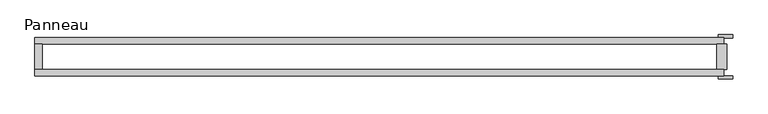
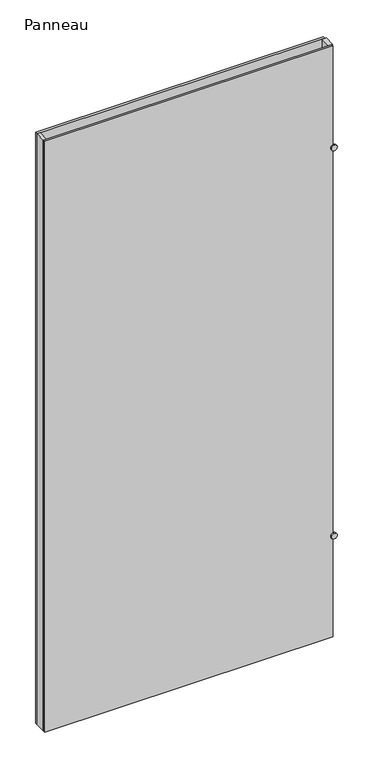
"""IFC4 building model written with IfcOpenShell, lengths in millimetres: plate geometry, Panneau."""

import ifcopenshell
import ifcopenshell.guid

model = None  # the IFC model being written
_history = None  # IfcOwnerHistory: only IFC2X3 demands one
_inside = {}  # id of a spatial element -> (the spatial element, [elements in it])
_under = {}  # id of a project, library or spatial element -> (it, [spatial elements below it])
_declared = {}  # id of a project -> (the project, [libraries it declares])
_typed = {}  # id of a type object -> (the type object, [elements of that type])
_made_of = {}  # id of a material, layer set ... -> (it, [elements and type objects made of it])


def new_model(schema):
    """Start an empty IFC model of exactly this schema.

    Asked for "IFC4X3", IfcOpenShell would pick the latest addendum, in which some entities
    have other attributes; the version numbers below select the first issue.
    IFC2X3 requires an IfcOwnerHistory on every rooted entity: one is made here for all.
    """
    global model, _history
    if schema == "IFC4X3":
        model = ifcopenshell.file(schema_version=(4, 3, 0, 0))
    else:
        model = ifcopenshell.file(schema=schema)
    _inside.clear()
    _under.clear()
    _declared.clear()
    _typed.clear()
    _made_of.clear()
    _history = None
    if model.schema == "IFC2X3":
        org = make("IfcOrganization", Name="unknown")
        user = make(
            "IfcPersonAndOrganization",
            ThePerson=make("IfcPerson", FamilyName="unknown"),
            TheOrganization=org,
        )
        app = make(
            "IfcApplication",
            ApplicationDeveloper=org,
            Version="unknown",
            ApplicationFullName="unknown",
            ApplicationIdentifier="unknown",
        )
        _history = make(
            "IfcOwnerHistory",
            OwningUser=user,
            OwningApplication=app,
            ChangeAction="ADDED",
            CreationDate=0,
        )
    return model


def make(cls, **values):
    """One entity of the class cls with the attributes given. An attribute that is None is left unset."""
    return model.create_entity(
        cls, **{name: value for name, value in values.items() if value is not None}
    )


def rooted(cls, **values):
    """An entity with a GlobalId (a new one), such as an element, a storey or a relation."""
    return make(cls, GlobalId=ifcopenshell.guid.new(), OwnerHistory=_history, **values)


def si_unit(unit_type, name, prefix=None):
    """IfcSIUnit, for example si_unit("LENGTHUNIT", "METRE", prefix="MILLI")."""
    return make("IfcSIUnit", UnitType=unit_type, Prefix=prefix, Name=name)


def assignment(units):
    """IfcUnitAssignment: the units of a project."""
    return None if units is None else make("IfcUnitAssignment", Units=units)


def point(xyz):
    """IfcCartesianPoint."""
    return None if xyz is None else make("IfcCartesianPoint", Coordinates=xyz)


def direction(xyz):
    """IfcDirection."""
    return None if xyz is None else make("IfcDirection", DirectionRatios=xyz)


def frame(location, z_axis=None, x_axis=None):
    """IfcAxis2Placement3D, a coordinate frame: its origin and axes. An axis left out is left unset."""
    return make(
        "IfcAxis2Placement3D",
        Location=point(location),
        Axis=direction(z_axis),
        RefDirection=direction(x_axis),
    )


def frame_2d(location, x_axis=None):
    """IfcAxis2Placement2D, a coordinate frame in the plane: its origin and x axis."""
    return make(
        "IfcAxis2Placement2D", Location=point(location), RefDirection=direction(x_axis)
    )


def origin():
    """The frame at (0, 0, 0) with its axes left unset."""
    return frame((0.0, 0.0, 0.0))


def origin_with_axes():
    """The frame at (0, 0, 0) with the z axis (0, 0, 1) and the x axis (1, 0, 0) written out."""
    return frame((0.0, 0.0, 0.0), z_axis=(0.0, 0.0, 1.0), x_axis=(1.0, 0.0, 0.0))


def place(relative_to, where):
    """IfcLocalPlacement: puts the frame where relative to a parent placement (None: the world)."""
    return make(
        "IfcLocalPlacement", PlacementRelTo=relative_to, RelativePlacement=where
    )


def context(
    kind, dimensions, precision=None, world=None, true_north=None, identifier=None
):
    """IfcGeometricRepresentationContext, for example the 3D "Model" context."""
    return make(
        "IfcGeometricRepresentationContext",
        ContextIdentifier=identifier,
        ContextType=kind,
        CoordinateSpaceDimension=dimensions,
        Precision=precision,
        WorldCoordinateSystem=world,
        TrueNorth=true_north,
    )


def project(units=None, contexts=None):
    """IfcProject with its units and contexts."""
    return rooted(
        "IfcProject",
        Name="project",
        RepresentationContexts=contexts,
        UnitsInContext=assignment(units),
    )


def spatial(cls, under=None, at=None, **own):
    """A site, building, storey or space (cls), placed at a placement, below another one or the project."""
    s = rooted(cls, ObjectPlacement=at, **own)
    if under is not None:
        _under.setdefault(under.id(), (under, []))[1].append(s)
    return s


def polyline(points):
    """IfcPolyline through the points."""
    return make("IfcPolyline", Points=[point(p) for p in points])


def circle_curve(where, radius):
    """IfcCircle in the frame where."""
    return make("IfcCircle", Position=where, Radius=radius)


def trimmed(basis, trim1, trim2, sense, master):
    """IfcTrimmedCurve: the piece of a basis curve between two trims."""
    return make(
        "IfcTrimmedCurve",
        BasisCurve=basis,
        Trim1=trim1,
        Trim2=trim2,
        SenseAgreement=sense,
        MasterRepresentation=master,
    )


def segment(curve, same_sense, transition):
    """IfcCompositeCurveSegment."""
    return make(
        "IfcCompositeCurveSegment",
        Transition=transition,
        SameSense=same_sense,
        ParentCurve=curve,
    )


def composite_curve(segments, self_intersect=None):
    """IfcCompositeCurve: segments joined end to end."""
    return make("IfcCompositeCurve", Segments=segments, SelfIntersect=self_intersect)


def outline(outer, holes=None, kind="AREA"):
    """IfcArbitraryClosedProfileDef: a profile drawn as a closed curve; with holes, ...WithVoids."""
    if holes is None:
        return make("IfcArbitraryClosedProfileDef", ProfileType=kind, OuterCurve=outer)
    return make(
        "IfcArbitraryProfileDefWithVoids",
        ProfileType=kind,
        OuterCurve=outer,
        InnerCurves=holes,
    )


def extrude(swept, where, along, depth):
    """IfcExtrudedAreaSolid: the profile swept, set in the frame where, extruded along a direction by depth."""
    return make(
        "IfcExtrudedAreaSolid",
        SweptArea=swept,
        Position=where,
        ExtrudedDirection=direction(along),
        Depth=depth,
    )


def shape(context_of_items, identifier, shape_type, items):
    """IfcShapeRepresentation: the items that make up one representation, for example the "Body"."""
    return make(
        "IfcShapeRepresentation",
        ContextOfItems=context_of_items,
        RepresentationIdentifier=identifier,
        RepresentationType=shape_type,
        Items=items,
    )


def source(mapping_origin, context_of_items, identifier, shape_type, items):
    """IfcRepresentationMap: a shape defined once, which mapped items show again and again."""
    return make(
        "IfcRepresentationMap",
        MappingOrigin=mapping_origin,
        MappedRepresentation=shape(context_of_items, identifier, shape_type, items),
    )


def transform(
    local_origin,
    x_axis=None,
    y_axis=None,
    z_axis=None,
    scale=None,
    scale2=None,
    scale3=None,
    uniform=True,
):
    """IfcCartesianTransformationOperator3D, or its non-uniform kind. x_axis, y_axis, z_axis: its Axis1, 2, 3."""
    if uniform:
        return make(
            "IfcCartesianTransformationOperator3D",
            Axis1=direction(x_axis),
            Axis2=direction(y_axis),
            LocalOrigin=point(local_origin),
            Scale=scale,
            Axis3=direction(z_axis),
        )
    return make(
        "IfcCartesianTransformationOperator3DnonUniform",
        Axis1=direction(x_axis),
        Axis2=direction(y_axis),
        LocalOrigin=point(local_origin),
        Scale=scale,
        Axis3=direction(z_axis),
        Scale2=scale2,
        Scale3=scale3,
    )


def mapped(mapping_source, mapping_target):
    """IfcMappedItem: shows the shape of a source again, moved by a transform."""
    return make(
        "IfcMappedItem", MappingSource=mapping_source, MappingTarget=mapping_target
    )


def made_of(thing, what):
    """Note that an element or type object is made of a material, layer set ...; save() writes the relation."""
    if what is not None:
        _made_of.setdefault(what.id(), (what, []))[1].append(thing)
    return thing


def element(
    cls,
    number,
    at=None,
    inside=None,
    cuts=None,
    type_object=None,
    material=None,
    context=None,
    identifier="Body",
    shape_type=None,
    held_by="IfcProductDefinitionShape",
    body=None,
    shapes=None,
    **own,
):
    """One element of the class cls, such as IfcWall. Its Tag is "e" and its number.

    at: its placement. inside: the storey or other place that contains it. cuts: it is an
    opening in that element (IfcRelVoidsElement). A single representation is given by context,
    identifier, shape_type and body (its items); several are given by shapes. held_by: the class
    of the entity that holds the representations. save() writes the other relations.
    """
    e = rooted(cls, Tag="e%d" % number, ObjectPlacement=at, **own)
    if body is not None:
        shapes = [shape(context, identifier, shape_type, body)]
    if shapes is not None:
        e.Representation = make(held_by, Representations=shapes)
    if inside is not None:
        _inside.setdefault(inside.id(), (inside, []))[1].append(e)
    if cuts is not None:
        rooted(
            "IfcRelVoidsElement", RelatingBuildingElement=cuts, RelatedOpeningElement=e
        )
    if type_object is not None:
        _typed.setdefault(type_object.id(), (type_object, []))[1].append(e)
    return made_of(e, material)


def aggregate(whole, parts):
    """IfcRelAggregates: a whole, such as a stair, and the parts it consists of."""
    return rooted("IfcRelAggregates", RelatingObject=whole, RelatedObjects=parts)


def save(model, path):
    """Write the relations noted so far, then the file.

    IfcRelAggregates (storeys below a building ...), IfcRelContainedInSpatialStructure (elements
    in a storey), IfcRelDefinesByType, IfcRelAssociatesMaterial and IfcRelDeclares: one each for
    every whole, place, type object, material and project.
    """
    for whole, parts in _under.values():
        aggregate(whole, parts)
    for where, things in _inside.values():
        rooted(
            "IfcRelContainedInSpatialStructure",
            RelatedElements=things,
            RelatingStructure=where,
        )
    for kind, things in _typed.values():
        rooted("IfcRelDefinesByType", RelatedObjects=things, RelatingType=kind)
    for what, things in _made_of.values():
        rooted("IfcRelAssociatesMaterial", RelatedObjects=things, RelatingMaterial=what)
    for by, libraries in _declared.values():
        rooted("IfcRelDeclares", RelatingContext=by, RelatedDefinitions=libraries)
    model.write(path)


def panneau_63ce8978(model_context):
    return source(origin(), model_context, "Body", "SweptSolid", [
        extrude(outline(polyline([(669.7499999, -37.2), (-675.7499999, -37.2), (-675.7499999, -25.2), (669.7499999, -25.2), (669.7499999, -37.2)])), origin_with_axes(), (0.0, 0.0, 1.0), 2915.0),
        extrude(outline(composite_curve([segment(trimmed(circle_curve(frame_2d((500.0, 672.7499999)), 14.0), [point((500.0, 658.7499999))], [point((500.0, 686.7499999))], False, "CARTESIAN"), True, "CONTINUOUS"), segment(trimmed(circle_curve(frame_2d((500.0, 672.7499999)), 14.0), [point((500.0, 686.7499999))], [point((500.0, 658.7499999))], False, "CARTESIAN"), True, "CONTINUOUS")], self_intersect=False)), frame((0.0, 37.2, 0.0), z_axis=(0.0, 1.0, 0.0), x_axis=(0.0, 0.0, 1.0)), (0.0, 0.0, 1.0), 6.0),
        extrude(outline(composite_curve([segment(trimmed(circle_curve(frame_2d((2415.0, 672.7499999)), 14.0), [point((2415.0, 658.7499999))], [point((2415.0, 686.7499999))], False, "CARTESIAN"), True, "CONTINUOUS"), segment(trimmed(circle_curve(frame_2d((2415.0, 672.7499999)), 14.0), [point((2415.0, 686.7499999))], [point((2415.0, 658.7499999))], False, "CARTESIAN"), True, "CONTINUOUS")], self_intersect=False)), frame((0.0, 37.2, 0.0), z_axis=(0.0, 1.0, 0.0), x_axis=(0.0, 0.0, 1.0)), (0.0, 0.0, 1.0), 6.0),
        extrude(outline(composite_curve([segment(trimmed(circle_curve(frame_2d((2415.0, 672.7499999)), 14.0), [point((2415.0, 658.7499999))], [point((2415.0, 686.7499999))], False, "CARTESIAN"), True, "CONTINUOUS"), segment(trimmed(circle_curve(frame_2d((2415.0, 672.7499999)), 14.0), [point((2415.0, 686.7499999))], [point((2415.0, 658.7499999))], False, "CARTESIAN"), True, "CONTINUOUS")], self_intersect=False)), frame((0.0, -43.2, 0.0), z_axis=(0.0, 1.0, 0.0), x_axis=(0.0, 0.0, 1.0)), (0.0, 0.0, 1.0), 6.0),
        extrude(outline(composite_curve([segment(trimmed(circle_curve(frame_2d((500.0, 672.7499999)), 14.0), [point((500.0, 658.7499999))], [point((500.0, 686.7499999))], False, "CARTESIAN"), True, "CONTINUOUS"), segment(trimmed(circle_curve(frame_2d((500.0, 672.7499999)), 14.0), [point((500.0, 686.7499999))], [point((500.0, 658.7499999))], False, "CARTESIAN"), True, "CONTINUOUS")], self_intersect=False)), frame((0.0, -43.2, 0.0), z_axis=(0.0, 1.0, 0.0), x_axis=(0.0, 0.0, 1.0)), (0.0, 0.0, 1.0), 6.0),
        extrude(outline(polyline([(-661.7499999, 25.2), (-661.7499999, -25.2), (-675.7499999, -25.2), (-675.7499999, 25.2), (-661.7499999, 25.2)])), origin_with_axes(), (0.0, 0.0, 1.0), 2915.0),
        extrude(outline(polyline([(675.7499999, 25.2), (675.7499999, -25.2), (655.7499999, -25.2), (655.7499999, 25.2), (675.7499999, 25.2)])), origin_with_axes(), (0.0, 0.0, 1.0), 2915.0),
        extrude(outline(polyline([(669.7499999, 25.2), (-675.7499999, 25.2), (-675.7499999, 37.2), (669.7499999, 37.2), (669.7499999, 25.2)])), origin_with_axes(), (0.0, 0.0, 1.0), 2915.0),
    ])


if __name__ == "__main__":
    model = new_model("IFC4")
    model_context = context("Model", 3, world=origin())
    ifc_project = project(units=[si_unit("LENGTHUNIT", "METRE", prefix="MILLI")], contexts=[model_context])
    site = spatial("IfcSite", under=ifc_project)
    building = spatial("IfcBuilding", under=site)
    placement = place(None, origin())
    panneau_shape = panneau_63ce8978(model_context)
    element("IfcPlate", 1, ObjectType="Panneau", at=placement, inside=building, context=model_context, shape_type="MappedRepresentation", body=[
        mapped(panneau_shape, transform((0.0, 0.0, 0.0), x_axis=(1.0, 0.0, 0.0), y_axis=(0.0, 1.0, 0.0), z_axis=(0.0, 0.0, 1.0))),
    ])
    save(model, "model.ifc")
